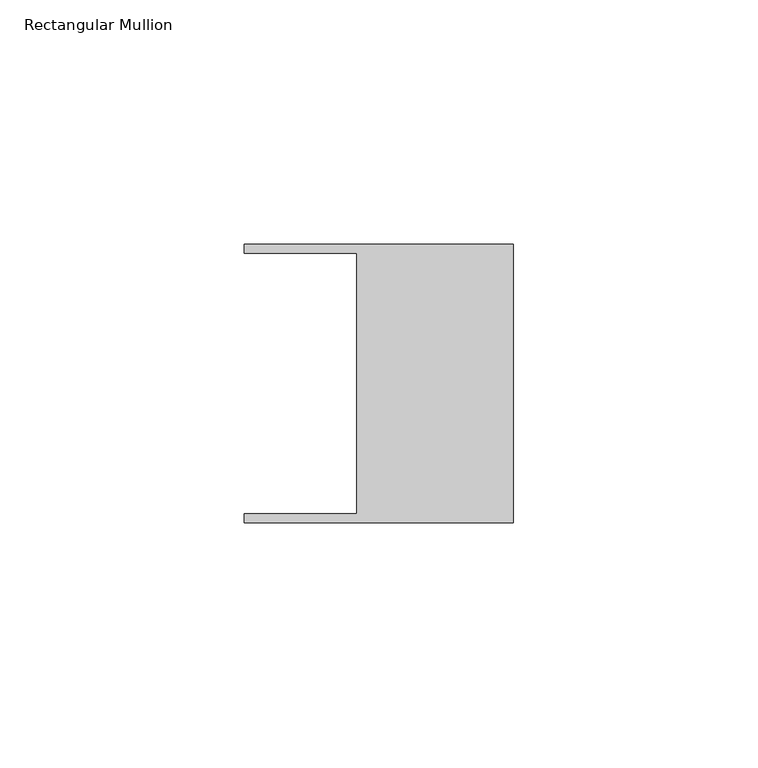
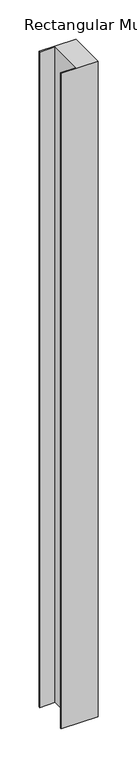
"""IFC4 building model written with IfcOpenShell, lengths in millimetres: member geometry, Rectangular Mullion."""

from ifc_helpers import new_model, si_unit, frame, origin, place, context, project, spatial, polyline, outline, extrude, source, transform, mapped, element, save


def rectangular_mullion_e4668d58(model_context):
    return source(origin(), model_context, "Body", "SweptSolid", [
        extrude(outline(polyline([(-32.004, 26.67), (-54.991, 26.67), (-54.991, 28.448), (0.0, 28.448), (0.0, -28.448), (-54.991, -28.448), (-54.991, -26.67), (-32.004, -26.67), (-32.004, 26.67)])), frame((0.0, 0.0, -1024.9917465), z_axis=(0.0, 0.0, 1.0), x_axis=(1.0, 0.0, 0.0)), (0.0, 0.0, 1.0), 1024.9917465),
    ])


if __name__ == "__main__":
    model = new_model("IFC4")
    model_context = context("Model", 3, world=origin())
    ifc_project = project(units=[si_unit("LENGTHUNIT", "METRE", prefix="MILLI")], contexts=[model_context])
    site = spatial("IfcSite", under=ifc_project)
    building = spatial("IfcBuilding", under=site)
    placement = place(None, origin())
    rectangular_mullion_shape = rectangular_mullion_e4668d58(model_context)
    element("IfcMember", 1, ObjectType="Rectangular Mullion", at=placement, inside=building, context=model_context, shape_type="MappedRepresentation", body=[
        mapped(rectangular_mullion_shape, transform((0.0, 0.0, 0.0), x_axis=(1.0, 0.0, 0.0), y_axis=(0.0, 1.0, 0.0), z_axis=(0.0, 0.0, 1.0))),
    ])
    save(model, "model.ifc")
